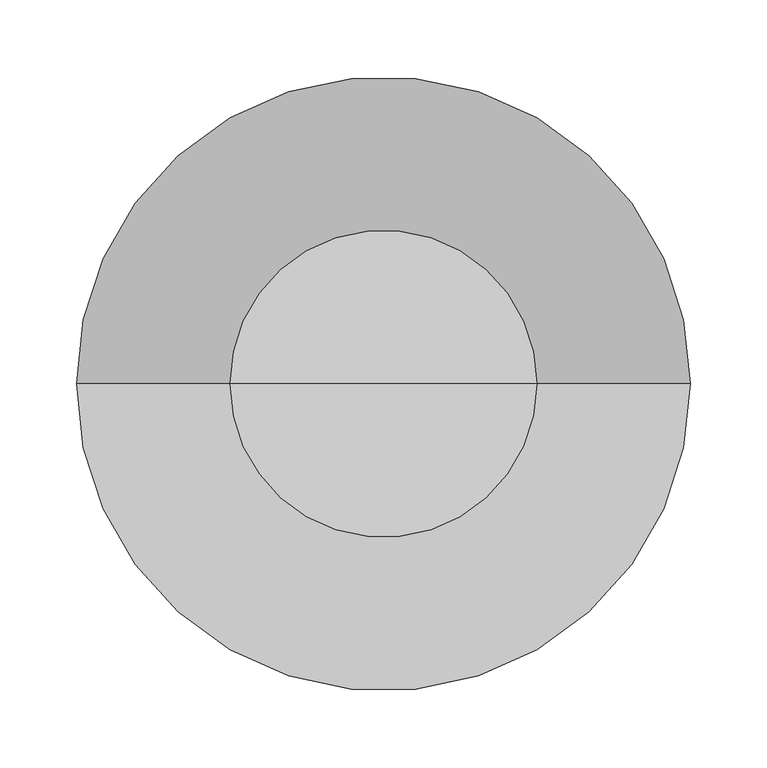
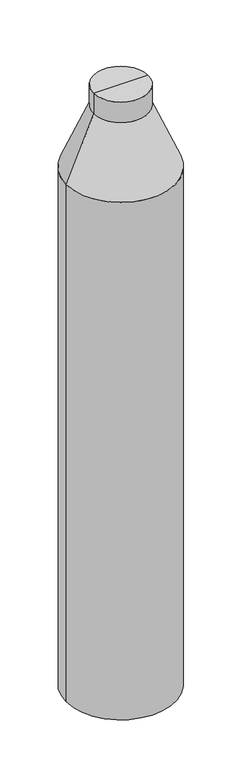
"""IFC4 building model written with IfcOpenShell, lengths in millimetres: column geometry."""

from ifc_helpers import new_model, si_unit, frame, origin, place, context, project, spatial, polyline, circle_curve, source, transform, mapped, element, save
from ifc_brep_helpers import plane_surface, cylinder_surface, revolved_surface, advanced_brep


def column_b98deea3(model_context):
    return source(origin(), model_context, "Body", "AdvancedBrep", [
        advanced_brep(
        [(-200.0, 0.0, -589.125), (-200.0, 0.0, -2599.125), (200.0, 0.0, -2599.125), (200.0, 0.0, -589.125), (0.0, 0.0, -2599.125), (-100.0, 0.0, -349.125), (100.0, 0.0, -349.125), (-100.0, 0.0, -269.125), (100.0, 0.0, -269.125), (0.0, 0.0, -269.125)],
        [
            (0, 1),
            (1, 2, circle_curve(frame((0.0, 0.0, -2599.125), z_axis=(0.0, 0.0, 1.0), x_axis=(1.0, 0.0, 0.0)), 200.0)),
            (2, 3),
            (3, 0, circle_curve(frame((0.0, 0.0, -589.125), z_axis=(0.0, 0.0, -1.0), x_axis=(1.0, 0.0, 0.0)), 200.0)),
            (1, 4),
            (4, 2),
            (1, 2, circle_curve(frame((0.0, 0.0, -2599.125), z_axis=(0.0, 0.0, -1.0), x_axis=(1.0, 0.0, 0.0)), 200.0)),
            (0, 3, circle_curve(frame((0.0, 0.0, -589.125), z_axis=(0.0, 0.0, -1.0), x_axis=(1.0, 0.0, 0.0)), 200.0)),
            (5, 0),
            (3, 6),
            (6, 5, circle_curve(frame((0.0, 0.0, -349.125), z_axis=(0.0, 0.0, -1.0), x_axis=(1.0, 0.0, 0.0)), 100.0)),
            (5, 6, circle_curve(frame((0.0, 0.0, -349.125), z_axis=(0.0, 0.0, -1.0), x_axis=(1.0, 0.0, 0.0)), 100.0)),
            (7, 5),
            (6, 8),
            (8, 7, circle_curve(frame((0.0, 0.0, -269.125), z_axis=(0.0, 0.0, -1.0), x_axis=(1.0, 0.0, 0.0)), 100.0)),
            (7, 8, circle_curve(frame((0.0, 0.0, -269.125), z_axis=(0.0, 0.0, -1.0), x_axis=(1.0, 0.0, 0.0)), 100.0)),
            (9, 7),
            (8, 9),
        ],
        [
            cylinder_surface(frame((0.0, 0.0, -627.8940014), z_axis=(0.0, 0.0, 1.0), x_axis=(1.0, 0.0, 0.0)), 200.0),
            plane_surface(frame((0.0, 0.0, -2599.125), z_axis=(0.0, 0.0, -1.0), x_axis=(1.0, 0.0, 0.0))),
            revolved_surface(polyline([(200.0, 0.0, -589.125), (100.0, 0.0, -349.125)]), (0.0, 0.0, -627.8940014), (0.0, 0.0, 1.0)),
            cylinder_surface(frame((0.0, 0.0, -627.8940014), z_axis=(0.0, 0.0, 1.0), x_axis=(1.0, 0.0, 0.0)), 100.0),
            plane_surface(frame((0.0, 0.0, -269.125), z_axis=(0.0, 0.0, 1.0), x_axis=(1.0, 0.0, 0.0))),
        ],
        [
            (0, [[1, 2, 3, 4]]),
            (1, [[5, 6, -2]]),
            (1, [[-6, -5, 7]]),
            (0, [[-3, -7, -1, 8]]),
            (2, [[9, -4, 10, 11]]),
            (2, [[-10, -8, -9, 12]]),
            (3, [[13, -11, 14, 15]]),
            (3, [[-14, -12, -13, 16]]),
            (4, [[17, -15, 18]]),
            (4, [[-18, -16, -17]]),
        ],
    ),
    ])


if __name__ == "__main__":
    model = new_model("IFC4")
    model_context = context("Model", 3, world=origin())
    ifc_project = project(units=[si_unit("LENGTHUNIT", "METRE", prefix="MILLI")], contexts=[model_context])
    site = spatial("IfcSite", under=ifc_project)
    building = spatial("IfcBuilding", under=site)
    placement = place(None, origin())
    column_shape = column_b98deea3(model_context)
    element("IfcColumn", 1, at=placement, inside=building, context=model_context, shape_type="MappedRepresentation", body=[
        mapped(column_shape, transform((0.0, 0.0, 0.0), x_axis=(1.0, 0.0, 0.0), y_axis=(0.0, 1.0, 0.0), z_axis=(0.0, 0.0, 1.0))),
    ])
    save(model, "model.ifc")
